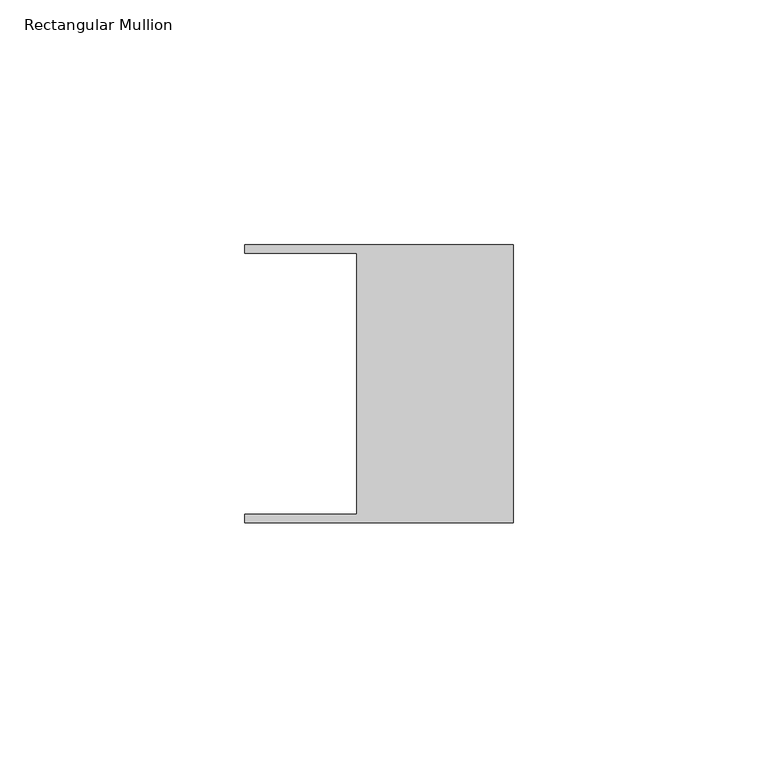
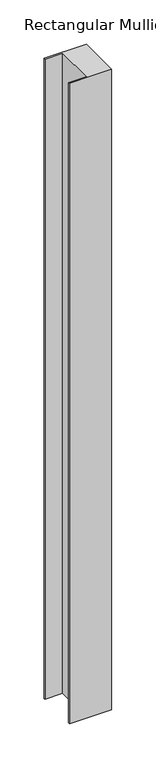
"""IFC4 building model written with IfcOpenShell, lengths in millimetres: member geometry, Rectangular Mullion."""

from ifc_helpers import new_model, si_unit, frame, origin, place, context, project, spatial, polyline, outline, extrude, source, transform, mapped, element, save


def rectangular_mullion_6642cc26(model_context):
    return source(origin(), model_context, "Body", "SweptSolid", [
        extrude(outline(polyline([(-32.004, 26.67), (-54.991, 26.67), (-54.991, 28.448), (0.0, 28.448), (0.0, -28.448), (-54.991, -28.448), (-54.991, -26.67), (-32.004, -26.67), (-32.004, 26.67)])), frame((0.0, 0.0, -880.3430487), z_axis=(0.0, 0.0, 1.0), x_axis=(1.0, 0.0, 0.0)), (0.0, 0.0, 1.0), 880.3430487),
    ])


if __name__ == "__main__":
    model = new_model("IFC4")
    model_context = context("Model", 3, world=origin())
    ifc_project = project(units=[si_unit("LENGTHUNIT", "METRE", prefix="MILLI")], contexts=[model_context])
    site = spatial("IfcSite", under=ifc_project)
    building = spatial("IfcBuilding", under=site)
    placement = place(None, origin())
    rectangular_mullion_shape = rectangular_mullion_6642cc26(model_context)
    element("IfcMember", 1, ObjectType="Rectangular Mullion", at=placement, inside=building, context=model_context, shape_type="MappedRepresentation", body=[
        mapped(rectangular_mullion_shape, transform((0.0, 0.0, 0.0), x_axis=(1.0, 0.0, 0.0), y_axis=(0.0, 1.0, 0.0), z_axis=(0.0, 0.0, 1.0))),
    ])
    save(model, "model.ifc")
